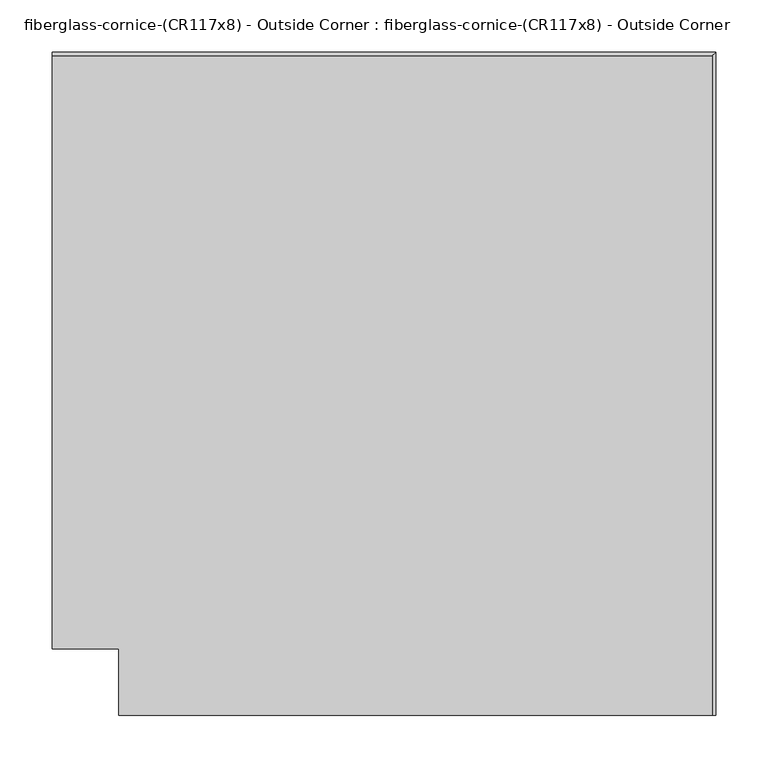
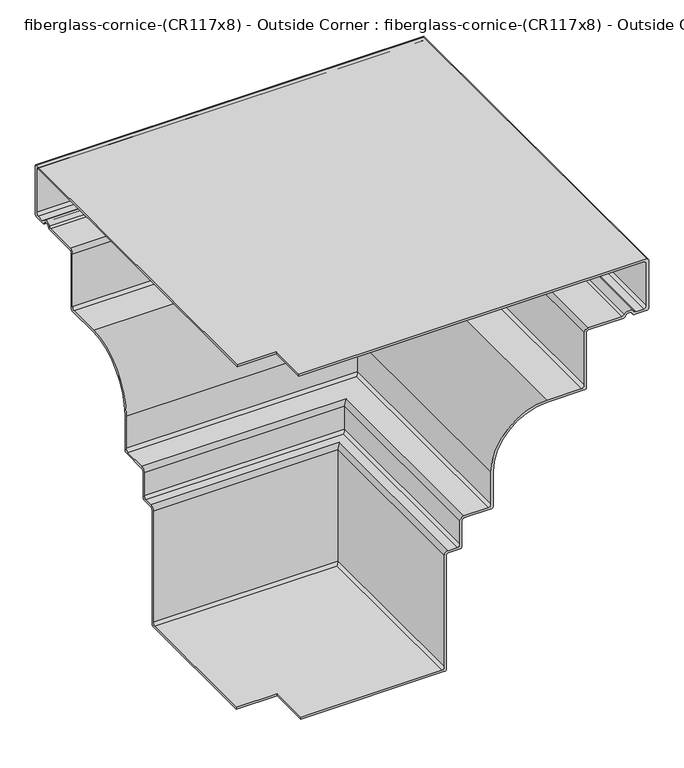
"""IFC4 building model written with IfcOpenShell, lengths in millimetres: furniture geometry, fiberglass-cornice-(CR117x8) - Outside Corner : fiberglass-cornice-(CR117x8) - Outside Corner."""

from ifc_helpers import new_model, si_unit, frame, origin, place, context, project, spatial, polyline, circle_curve, ellipse_curve, source, transform, mapped, element, save
from ifc_brep_helpers import plane_surface, cylinder_surface, revolved_surface, advanced_brep


def fiberglass_cornice_cr117x8_outside_corner_fiberglass_cornice_4fb6040e(model_context):
    return source(origin(), model_context, "Body", "AdvancedBrep", [
        advanced_brep(
        [(-196.9488213, 669.9250725, 330.1999904), (-196.9488213, 673.1000629, 327.025), (-196.9488213, 673.1000629, 244.4749959), (-196.9488213, 669.9250725, 241.3000055), (-196.9488213, 650.3303734, 241.3000055), (-196.9488213, 647.3369391, 243.4166784), (-196.9488213, 635.3632764, 243.4166872), (-196.9488213, 632.369825, 241.3000055), (-196.9488213, 574.6751514, 241.3000055), (-196.9488213, 571.5001312, 238.1249852), (-196.9488213, 571.5001312, 142.8749971), (-196.9488213, 568.3251334, 139.6999992), (-196.9488213, 508.0001413, 139.6999992), (-196.9488213, 419.1001144, 50.8008042), (-196.9488213, 419.1001144, -9.525001), (-196.9488213, 415.9251129, -12.7000026), (-196.9488213, 371.4750496, -12.7000026), (-196.9488213, 368.3001486, -15.8749036), (-196.9488213, 368.3001486, -60.3249781), (-196.9488213, 365.1251284, -63.4999983), (-196.9488213, 346.0751263, -63.4999983), (-196.9488213, 342.900106, -66.6750185), (-196.9488213, 342.900106, -263.5250054), (-196.9488213, 339.7251156, -266.6999958), (-196.9488213, 104.7750202, -266.6999958), (-196.9488213, 104.7750202, -263.2074915), (-196.9488213, 334.9626449, -263.2074915), (-196.9488213, 339.4076315, -258.7625049), (-196.9488213, 339.4076315, -66.6749962), (-196.9488213, 346.0751263, -60.0075014), (-196.9488213, 360.3625533, -60.0075014), (-196.9488213, 364.8075548, -55.5624999), (-196.9488213, 364.8075548, -15.8749968), (-196.9488213, 371.4750496, -9.207502), (-196.9488213, 411.1626384, -9.207502), (-196.9488213, 415.6076399, -4.7625005), (-196.9488213, 415.6076399, 50.8210771), (-196.9488213, 507.982101, 143.1924962), (-196.9488213, 563.5626552, 143.1924962), (-196.9488213, 568.0076567, 147.6374976), (-196.9488213, 568.0076567, 238.1250001), (-196.9488213, 574.6751514, 244.7924949), (-196.9488213, 629.4702974, 244.7924949), (-196.9488213, 633.166285, 246.7680769), (-196.9488213, 649.5339424, 246.7680544), (-196.9488213, 653.2298758, 244.7924949), (-196.9488213, 665.1625869, 244.7924949), (-196.9488213, 669.6075884, 249.2374964), (-196.9488213, 669.6075884, 322.2624995), (-196.9488213, 665.1626018, 326.7074861), (-196.9488213, 101.6, 326.7074861), (-196.9488213, 101.6, 330.1999904), (434.9754699, 38.0007813, 330.1999904), (-133.3496026, 38.0007813, 330.1999904), (-133.3496026, 38.0007813, 326.7074861), (430.2129992, 38.0007813, 326.7074861), (434.6579858, 38.0007813, 322.2624995), (434.6579858, 38.0007813, 249.2374964), (430.2129843, 38.0007813, 244.7924949), (418.2802732, 38.0007813, 244.7924949), (414.5843398, 38.0007813, 246.7680544), (398.2166824, 38.0007813, 246.7680769), (394.5206948, 38.0007813, 244.7924949), (339.7255488, 38.0007813, 244.7924949), (333.0580541, 38.0007813, 238.1250001), (333.0580541, 38.0007813, 147.6374976), (328.6130526, 38.0007813, 143.1924962), (273.0324984, 38.0007813, 143.1924962), (180.6580373, 38.0007813, 50.8210771), (180.6580373, 38.0007813, -4.7625005), (176.2130358, 38.0007813, -9.207502), (136.525447, 38.0007813, -9.207502), (129.8579522, 38.0007813, -15.8749968), (129.8579522, 38.0007813, -55.5624999), (125.4129507, 38.0007813, -60.0075014), (111.1255237, 38.0007813, -60.0075014), (104.4580289, 38.0007813, -66.6749962), (104.4580289, 38.0007813, -258.7625049), (100.0130423, 38.0007813, -263.2074915), (-130.1745824, 38.0007813, -263.2074915), (-130.1745824, 38.0007813, -266.6999958), (104.775513, 38.0007813, -266.6999958), (107.9505035, 38.0007813, -263.5250054), (107.9505035, 38.0007813, -66.6750185), (111.1255237, 38.0007813, -63.4999983), (130.1755258, 38.0007813, -63.4999983), (133.350546, 38.0007813, -60.3249781), (133.350546, 38.0007813, -15.8749036), (136.525447, 38.0007813, -12.7000026), (180.9755103, 38.0007813, -12.7000026), (184.1505118, 38.0007813, -9.525001), (184.1505118, 38.0007813, 50.8008042), (273.0505387, 38.0007813, 139.6999992), (333.3755308, 38.0007813, 139.6999992), (336.5505286, 38.0007813, 142.8749971), (336.5505286, 38.0007813, 238.1249852), (339.7255488, 38.0007813, 241.3000055), (397.4202224, 38.0007813, 241.3000055), (400.4136738, 38.0007813, 243.4166872), (412.3873365, 38.0007813, 243.4166784), (415.3807708, 38.0007813, 241.3000055), (434.9754699, 38.0007813, 241.3000055), (438.1504603, 38.0007813, 244.4749959), (438.1504603, 38.0007813, 327.025), (434.9754699, 669.9250725, 330.1999904), (438.1504603, 673.1000629, 327.025), (438.1504603, 673.1000629, 244.4749959), (434.9754699, 669.9250725, 241.3000055), (415.3807708, 650.3303734, 241.3000055), (412.3873365, 647.3369391, 243.4166784), (400.4136738, 635.3632764, 243.4166872), (397.4202224, 632.369825, 241.3000055), (339.7255488, 574.6751514, 241.3000055), (336.5505286, 571.5001312, 238.1249852), (336.5505286, 571.5001312, 142.8749971), (333.3755308, 568.3251334, 139.6999992), (273.0505387, 508.0001413, 139.6999992), (184.1505118, 419.1001144, 50.8008042), (184.1505118, 419.1001144, -9.525001), (180.9755103, 415.9251129, -12.7000026), (136.525447, 371.4750496, -12.7000026), (133.350546, 368.3001486, -15.8749036), (133.350546, 368.3001486, -60.3249781), (130.1755258, 365.1251284, -63.4999983), (111.1255237, 346.0751263, -63.4999983), (107.9505035, 342.900106, -66.6750185), (107.9505035, 342.900106, -263.5250054), (104.775513, 339.7251156, -266.6999958), (-130.1745824, 104.7750202, -266.6999958), (-130.1745824, 104.7750202, -263.2074915), (100.0130423, 334.9626449, -263.2074915), (104.4580289, 339.4076315, -258.7625049), (104.4580289, 339.4076315, -66.6749962), (111.1255237, 346.0751263, -60.0075014), (125.4129507, 360.3625533, -60.0075014), (129.8579522, 364.8075548, -55.5624999), (129.8579522, 364.8075548, -15.8749968), (136.525447, 371.4750496, -9.207502), (176.2130358, 411.1626384, -9.207502), (180.6580373, 415.6076399, -4.7625005), (180.6580373, 415.6076399, 50.8210771), (273.0324984, 507.982101, 143.1924962), (328.6130526, 563.5626552, 143.1924962), (333.0580541, 568.0076567, 147.6374976), (333.0580541, 568.0076567, 238.1250001), (339.7255488, 574.6751514, 244.7924949), (394.5206948, 629.4702974, 244.7924949), (398.2166824, 633.166285, 246.7680769), (414.5843398, 649.5339424, 246.7680544), (418.2802732, 653.2298758, 244.7924949), (430.2129843, 665.1625869, 244.7924949), (434.6579858, 669.6075884, 249.2374964), (434.6579858, 669.6075884, 322.2624995), (430.2129992, 665.1626018, 326.7074861), (-133.3496026, 101.6, 326.7074861), (-133.3496026, 101.6, 330.1999904)],
        [
            (0, 1, circle_curve(frame((-196.9488213, 669.9250725, 327.025), z_axis=(-1.0, 0.0, 0.0), x_axis=(0.0, 1.0, 0.0)), 3.1749904)),
            (1, 2),
            (2, 3, circle_curve(frame((-196.9488213, 669.9250725, 244.4749959), z_axis=(-1.0, 0.0, 0.0), x_axis=(0.0, 1.0, 0.0)), 3.1749904)),
            (3, 4),
            (4, 5, circle_curve(frame((-196.9488213, 650.3303734, 244.4750244), z_axis=(-1.0, 0.0, 0.0), x_axis=(0.0, 1.0, 0.0)), 3.175019)),
            (5, 6, circle_curve(frame((-196.9488213, 641.3501062, 241.2999989), z_axis=(1.0, 0.0, 0.0), x_axis=(0.0, 1.0, 0.0)), 6.35)),
            (6, 7, circle_curve(frame((-196.9488213, 632.369825, 244.4750442), z_axis=(-1.0, 0.0, 0.0), x_axis=(0.0, 1.0, 0.0)), 3.1750388)),
            (7, 8),
            (8, 9, circle_curve(frame((-196.9488213, 574.6751514, 238.1249852), z_axis=(1.0, 0.0, 0.0), x_axis=(0.0, 1.0, 0.0)), 3.1750202)),
            (9, 10),
            (10, 11, circle_curve(frame((-196.9488213, 568.3251334, 142.8749971), z_axis=(-1.0, 0.0, 0.0), x_axis=(0.0, 1.0, 0.0)), 3.1749979)),
            (11, 12),
            (12, 13, circle_curve(frame((-196.9488213, 508.9210713, 49.8790338), z_axis=(1.0, 0.0, 0.0), x_axis=(0.0, 1.0, 0.0)), 89.8256865)),
            (13, 14),
            (14, 15, circle_curve(frame((-196.9488213, 415.9251129, -9.525001), z_axis=(-1.0, 0.0, 0.0), x_axis=(0.0, 1.0, 0.0)), 3.1750016)),
            (15, 16),
            (16, 17, circle_curve(frame((-196.9488213, 371.4750496, -15.8749036), z_axis=(1.0, 0.0, 0.0), x_axis=(0.0, 1.0, 0.0)), 3.174901)),
            (17, 18),
            (18, 19, circle_curve(frame((-196.9488213, 365.1251284, -60.3249781), z_axis=(-1.0, 0.0, 0.0), x_axis=(0.0, 1.0, 0.0)), 3.1750202)),
            (19, 20),
            (20, 21, circle_curve(frame((-196.9488213, 346.0751263, -66.6750185), z_axis=(1.0, 0.0, 0.0), x_axis=(0.0, 1.0, 0.0)), 3.1750202)),
            (21, 22),
            (22, 23, circle_curve(frame((-196.9488213, 339.7251156, -263.5250054), z_axis=(-1.0, 0.0, 0.0), x_axis=(0.0, 1.0, 0.0)), 3.1749904)),
            (23, 24),
            (24, 25),
            (25, 26),
            (26, 27, circle_curve(frame((-196.9488213, 334.9626449, -258.7625049), z_axis=(1.0, 0.0, 0.0), x_axis=(0.0, 1.0, 0.0)), 4.4449866)),
            (27, 28),
            (28, 29, circle_curve(frame((-196.9488213, 346.0751263, -66.6749962), z_axis=(-1.0, 0.0, 0.0), x_axis=(0.0, 1.0, 0.0)), 6.6674948)),
            (29, 30),
            (30, 31, circle_curve(frame((-196.9488213, 360.3625533, -55.5624999), z_axis=(1.0, 0.0, 0.0), x_axis=(0.0, 1.0, 0.0)), 4.4450015)),
            (31, 32),
            (32, 33, circle_curve(frame((-196.9488213, 371.4750496, -15.8749968), z_axis=(-1.0, 0.0, 0.0), x_axis=(0.0, 1.0, 0.0)), 6.6674948)),
            (33, 34),
            (34, 35, circle_curve(frame((-196.9488213, 411.1626384, -4.7625005), z_axis=(1.0, 0.0, 0.0), x_axis=(0.0, 1.0, 0.0)), 4.4450015)),
            (35, 36),
            (36, 37, circle_curve(frame((-196.9488213, 508.9210713, 49.8790338), z_axis=(-1.0, 0.0, 0.0), x_axis=(0.0, 1.0, 0.0)), 93.3181865)),
            (37, 38),
            (38, 39, circle_curve(frame((-196.9488213, 563.5626552, 147.6374976), z_axis=(1.0, 0.0, 0.0), x_axis=(0.0, 1.0, 0.0)), 4.4450015)),
            (39, 40),
            (40, 41, circle_curve(frame((-196.9488213, 574.6751514, 238.1250001), z_axis=(-1.0, 0.0, 0.0), x_axis=(0.0, 1.0, 0.0)), 6.6674948)),
            (41, 42),
            (42, 43, circle_curve(frame((-196.9488213, 629.4702974, 249.2375771), z_axis=(1.0, 0.0, 0.0), x_axis=(0.0, 1.0, 0.0)), 4.4450821)),
            (43, 44, circle_curve(frame((-196.9488213, 641.3501062, 241.2999989), z_axis=(-1.0, 0.0, 0.0), x_axis=(0.0, 1.0, 0.0)), 9.8425)),
            (44, 45, circle_curve(frame((-196.9488213, 653.2298758, 249.2375038), z_axis=(1.0, 0.0, 0.0), x_axis=(0.0, 1.0, 0.0)), 4.4450089)),
            (45, 46),
            (46, 47, circle_curve(frame((-196.9488213, 665.1625869, 249.2374964), z_axis=(1.0, 0.0, 0.0), x_axis=(0.0, 1.0, 0.0)), 4.4450015)),
            (47, 48),
            (48, 49, circle_curve(frame((-196.9488213, 665.1626018, 322.2624995), z_axis=(1.0, 0.0, 0.0), x_axis=(0.0, 1.0, 0.0)), 4.4449866)),
            (49, 50),
            (50, 51),
            (51, 0),
            (52, 53),
            (53, 54),
            (54, 55),
            (55, 56, circle_curve(frame((430.2129992, 38.0007813, 322.2624995), z_axis=(0.0, 1.0, 0.0), x_axis=(1.0, 0.0, 0.0)), 4.4449866)),
            (56, 57),
            (57, 58, circle_curve(frame((430.2129843, 38.0007813, 249.2374964), z_axis=(0.0, 1.0, 0.0), x_axis=(1.0, 0.0, 0.0)), 4.4450015)),
            (58, 59),
            (59, 60, circle_curve(frame((418.2802732, 38.0007813, 249.2375038), z_axis=(0.0, 1.0, 0.0), x_axis=(1.0, 0.0, 0.0)), 4.4450089)),
            (60, 61, circle_curve(frame((406.4005036, 38.0007813, 241.2999989), z_axis=(0.0, -1.0, 0.0), x_axis=(1.0, 0.0, 0.0)), 9.8425)),
            (61, 62, circle_curve(frame((394.5206948, 38.0007813, 249.2375771), z_axis=(0.0, 1.0, 0.0), x_axis=(1.0, 0.0, 0.0)), 4.4450821)),
            (62, 63),
            (63, 64, circle_curve(frame((339.7255488, 38.0007813, 238.1250001), z_axis=(0.0, -1.0, 0.0), x_axis=(1.0, 0.0, 0.0)), 6.6674948)),
            (64, 65),
            (65, 66, circle_curve(frame((328.6130526, 38.0007813, 147.6374976), z_axis=(0.0, 1.0, 0.0), x_axis=(1.0, 0.0, 0.0)), 4.4450015)),
            (66, 67),
            (67, 68, circle_curve(frame((273.9714687, 38.0007813, 49.8790338), z_axis=(0.0, -1.0, 0.0), x_axis=(1.0, 0.0, 0.0)), 93.3181865)),
            (68, 69),
            (69, 70, circle_curve(frame((176.2130358, 38.0007813, -4.7625005), z_axis=(0.0, 1.0, 0.0), x_axis=(1.0, 0.0, 0.0)), 4.4450015)),
            (70, 71),
            (71, 72, circle_curve(frame((136.525447, 38.0007813, -15.8749968), z_axis=(0.0, -1.0, 0.0), x_axis=(1.0, 0.0, 0.0)), 6.6674948)),
            (72, 73),
            (73, 74, circle_curve(frame((125.4129507, 38.0007813, -55.5624999), z_axis=(0.0, 1.0, 0.0), x_axis=(1.0, 0.0, 0.0)), 4.4450015)),
            (74, 75),
            (75, 76, circle_curve(frame((111.1255237, 38.0007813, -66.6749962), z_axis=(0.0, -1.0, 0.0), x_axis=(1.0, 0.0, 0.0)), 6.6674948)),
            (76, 77),
            (77, 78, circle_curve(frame((100.0130423, 38.0007813, -258.7625049), z_axis=(0.0, 1.0, 0.0), x_axis=(1.0, 0.0, 0.0)), 4.4449866)),
            (78, 79),
            (79, 80),
            (80, 81),
            (81, 82, circle_curve(frame((104.775513, 38.0007813, -263.5250054), z_axis=(0.0, -1.0, 0.0), x_axis=(1.0, 0.0, 0.0)), 3.1749904)),
            (82, 83),
            (83, 84, circle_curve(frame((111.1255237, 38.0007813, -66.6750185), z_axis=(0.0, 1.0, 0.0), x_axis=(1.0, 0.0, 0.0)), 3.1750202)),
            (84, 85),
            (85, 86, circle_curve(frame((130.1755258, 38.0007813, -60.3249781), z_axis=(0.0, -1.0, 0.0), x_axis=(1.0, 0.0, 0.0)), 3.1750202)),
            (86, 87),
            (87, 88, circle_curve(frame((136.525447, 38.0007813, -15.8749036), z_axis=(0.0, 1.0, 0.0), x_axis=(1.0, 0.0, 0.0)), 3.174901)),
            (88, 89),
            (89, 90, circle_curve(frame((180.9755103, 38.0007813, -9.525001), z_axis=(0.0, -1.0, 0.0), x_axis=(1.0, 0.0, 0.0)), 3.1750016)),
            (90, 91),
            (91, 92, circle_curve(frame((273.9714687, 38.0007813, 49.8790338), z_axis=(0.0, 1.0, 0.0), x_axis=(1.0, 0.0, 0.0)), 89.8256865)),
            (92, 93),
            (93, 94, circle_curve(frame((333.3755308, 38.0007813, 142.8749971), z_axis=(0.0, -1.0, 0.0), x_axis=(1.0, 0.0, 0.0)), 3.1749979)),
            (94, 95),
            (95, 96, circle_curve(frame((339.7255488, 38.0007813, 238.1249852), z_axis=(0.0, 1.0, 0.0), x_axis=(1.0, 0.0, 0.0)), 3.1750202)),
            (96, 97),
            (97, 98, circle_curve(frame((397.4202224, 38.0007813, 244.4750442), z_axis=(0.0, -1.0, 0.0), x_axis=(1.0, 0.0, 0.0)), 3.1750388)),
            (98, 99, circle_curve(frame((406.4005036, 38.0007813, 241.2999989), z_axis=(0.0, 1.0, 0.0), x_axis=(1.0, 0.0, 0.0)), 6.35)),
            (99, 100, circle_curve(frame((415.3807708, 38.0007813, 244.4750244), z_axis=(0.0, -1.0, 0.0), x_axis=(1.0, 0.0, 0.0)), 3.175019)),
            (100, 101),
            (101, 102, circle_curve(frame((434.9754699, 38.0007813, 244.4749959), z_axis=(0.0, -1.0, 0.0), x_axis=(1.0, 0.0, 0.0)), 3.1749904)),
            (102, 103),
            (103, 52, circle_curve(frame((434.9754699, 38.0007813, 327.025), z_axis=(0.0, -1.0, 0.0), x_axis=(1.0, 0.0, 0.0)), 3.1749904)),
            (0, 104),
            (104, 105, ellipse_curve(frame((434.9754699, 669.9250725, 327.025), z_axis=(-0.7071067811865563, 0.7071067811865387, 0.0), x_axis=(-0.7071067811865387, -0.7071067811865565, 0.0)), 4.4901145, 3.1749904)),
            (105, 1),
            (105, 106),
            (106, 2),
            (106, 107, ellipse_curve(frame((434.9754699, 669.9250725, 244.4749959), z_axis=(-0.7071067811865563, 0.7071067811865387, 0.0), x_axis=(-0.7071067811865387, -0.7071067811865565, 0.0)), 4.4901145, 3.1749904)),
            (107, 3),
            (107, 101),
            (100, 108),
            (108, 4),
            (108, 109, ellipse_curve(frame((415.3807708, 650.3303734, 244.4750244), z_axis=(-0.7071067811865563, 0.7071067811865387, 0.0), x_axis=(-0.7071067811865387, -0.7071067811865565, 0.0)), 4.4901549, 3.175019)),
            (109, 5),
            (109, 110, ellipse_curve(frame((406.4005036, 641.3501062, 241.2999989), z_axis=(0.7071067811865563, -0.7071067811865387, 0.0), x_axis=(0.7071067811865387, 0.7071067811865565, 0.0)), 8.9802561, 6.35)),
            (110, 6),
            (110, 111, ellipse_curve(frame((397.4202224, 632.369825, 244.4750442), z_axis=(-0.7071067811865563, 0.7071067811865387, 0.0), x_axis=(-0.7071067811865387, -0.7071067811865565, 0.0)), 4.4901829, 3.1750388)),
            (111, 7),
            (111, 97),
            (96, 112),
            (112, 8),
            (112, 113, ellipse_curve(frame((339.7255488, 574.6751514, 238.1249852), z_axis=(0.7071067811865563, -0.7071067811865387, 0.0), x_axis=(0.7071067811865387, 0.7071067811865565, 0.0)), 4.4901567, 3.1750202)),
            (113, 9),
            (113, 114),
            (114, 10),
            (114, 115, ellipse_curve(frame((333.3755308, 568.3251334, 142.8749971), z_axis=(-0.7071067811865563, 0.7071067811865387, 0.0), x_axis=(-0.7071067811865387, -0.7071067811865565, 0.0)), 4.490125, 3.1749979)),
            (115, 11),
            (115, 93),
            (92, 116),
            (116, 12),
            (116, 117, ellipse_curve(frame((273.9714687, 508.9210713, 49.8790338), z_axis=(0.7071067811865563, -0.7071067811865387, 0.0), x_axis=(0.7071067811865387, 0.7071067811865565, 0.0)), 127.032704, 89.8256865)),
            (117, 13),
            (117, 118),
            (118, 14),
            (118, 119, ellipse_curve(frame((180.9755103, 415.9251129, -9.525001), z_axis=(-0.7071067811865563, 0.7071067811865387, 0.0), x_axis=(-0.7071067811865387, -0.7071067811865565, 0.0)), 4.4901303, 3.1750016)),
            (119, 15),
            (119, 89),
            (88, 120),
            (120, 16),
            (120, 121, ellipse_curve(frame((136.525447, 371.4750496, -15.8749036), z_axis=(0.7071067811865563, -0.7071067811865387, 0.0), x_axis=(0.7071067811865387, 0.7071067811865565, 0.0)), 4.4899881, 3.174901)),
            (121, 17),
            (121, 122),
            (122, 18),
            (122, 123, ellipse_curve(frame((130.1755258, 365.1251284, -60.3249781), z_axis=(-0.7071067811865563, 0.7071067811865387, 0.0), x_axis=(-0.7071067811865387, -0.7071067811865565, 0.0)), 4.4901567, 3.1750202)),
            (123, 19),
            (123, 85),
            (84, 124),
            (124, 20),
            (124, 125, ellipse_curve(frame((111.1255237, 346.0751263, -66.6750185), z_axis=(0.7071067811865563, -0.7071067811865387, 0.0), x_axis=(0.7071067811865387, 0.7071067811865565, 0.0)), 4.4901567, 3.1750202)),
            (125, 21),
            (125, 126),
            (126, 22),
            (126, 127, ellipse_curve(frame((104.775513, 339.7251156, -263.5250054), z_axis=(-0.7071067811865563, 0.7071067811865387, 0.0), x_axis=(-0.7071067811865387, -0.7071067811865565, 0.0)), 4.4901145, 3.1749904)),
            (127, 23),
            (127, 81),
            (80, 128),
            (128, 24),
            (128, 129),
            (129, 25),
            (129, 79),
            (78, 130),
            (130, 26),
            (130, 131, ellipse_curve(frame((100.0130423, 334.9626449, -258.7625049), z_axis=(0.7071067811865563, -0.7071067811865387, 0.0), x_axis=(0.7071067811865387, 0.7071067811865565, 0.0)), 6.2861603, 4.4449866)),
            (131, 27),
            (131, 132),
            (132, 28),
            (132, 133, ellipse_curve(frame((111.1255237, 346.0751263, -66.6749962), z_axis=(-0.7071067811865563, 0.7071067811865387, 0.0), x_axis=(-0.7071067811865387, -0.7071067811865565, 0.0)), 9.4292615, 6.6674948)),
            (133, 29),
            (133, 75),
            (74, 134),
            (134, 30),
            (134, 135, ellipse_curve(frame((125.4129507, 360.3625533, -55.5624999), z_axis=(0.7071067811865563, -0.7071067811865387, 0.0), x_axis=(0.7071067811865387, 0.7071067811865565, 0.0)), 6.2861814, 4.4450015)),
            (135, 31),
            (135, 136),
            (136, 32),
            (136, 137, ellipse_curve(frame((136.525447, 371.4750496, -15.8749968), z_axis=(-0.7071067811865563, 0.7071067811865387, 0.0), x_axis=(-0.7071067811865387, -0.7071067811865565, 0.0)), 9.4292615, 6.6674948)),
            (137, 33),
            (137, 71),
            (70, 138),
            (138, 34),
            (138, 139, ellipse_curve(frame((176.2130358, 411.1626384, -4.7625005), z_axis=(0.7071067811865563, -0.7071067811865387, 0.0), x_axis=(0.7071067811865387, 0.7071067811865565, 0.0)), 6.2861814, 4.4450015)),
            (139, 35),
            (139, 140),
            (140, 36),
            (140, 141, ellipse_curve(frame((273.9714687, 508.9210713, 49.8790338), z_axis=(-0.7071067811865563, 0.7071067811865387, 0.0), x_axis=(-0.7071067811865387, -0.7071067811865565, 0.0)), 131.9718449, 93.3181865)),
            (141, 37),
            (141, 67),
            (66, 142),
            (142, 38),
            (142, 143, ellipse_curve(frame((328.6130526, 563.5626552, 147.6374976), z_axis=(0.7071067811865563, -0.7071067811865387, 0.0), x_axis=(0.7071067811865387, 0.7071067811865565, 0.0)), 6.2861814, 4.4450015)),
            (143, 39),
            (143, 144),
            (144, 40),
            (144, 145, ellipse_curve(frame((339.7255488, 574.6751514, 238.1250001), z_axis=(-0.7071067811865563, 0.7071067811865387, 0.0), x_axis=(-0.7071067811865387, -0.7071067811865565, 0.0)), 9.4292615, 6.6674948)),
            (145, 41),
            (145, 63),
            (62, 146),
            (146, 42),
            (146, 147, ellipse_curve(frame((394.5206948, 629.4702974, 249.2375771), z_axis=(0.7071067811865563, -0.7071067811865387, 0.0), x_axis=(0.7071067811865387, 0.7071067811865565, 0.0)), 6.2862954, 4.4450821)),
            (147, 43),
            (147, 148, ellipse_curve(frame((406.4005036, 641.3501062, 241.2999989), z_axis=(-0.7071067811865563, 0.7071067811865387, 0.0), x_axis=(-0.7071067811865387, -0.7071067811865565, 0.0)), 13.919397, 9.8425)),
            (148, 44),
            (148, 149, ellipse_curve(frame((418.2802732, 653.2298758, 249.2375038), z_axis=(0.7071067811865563, -0.7071067811865387, 0.0), x_axis=(0.7071067811865387, 0.7071067811865565, 0.0)), 6.2861919, 4.4450089)),
            (149, 45),
            (149, 59),
            (58, 150),
            (150, 46),
            (150, 151, ellipse_curve(frame((430.2129843, 665.1625869, 249.2374964), z_axis=(0.7071067811865563, -0.7071067811865387, 0.0), x_axis=(0.7071067811865387, 0.7071067811865565, 0.0)), 6.2861814, 4.4450015)),
            (151, 47),
            (151, 152),
            (152, 48),
            (152, 153, ellipse_curve(frame((430.2129992, 665.1626018, 322.2624995), z_axis=(0.7071067811865563, -0.7071067811865387, 0.0), x_axis=(0.7071067811865387, 0.7071067811865565, 0.0)), 6.2861603, 4.4449866)),
            (153, 49),
            (153, 55),
            (54, 154),
            (154, 50),
            (154, 155),
            (155, 51),
            (155, 53),
            (52, 104),
            (103, 105),
            (102, 106),
            (99, 109),
            (98, 110),
            (95, 113),
            (94, 114),
            (91, 117),
            (90, 118),
            (87, 121),
            (86, 122),
            (83, 125),
            (82, 126),
            (77, 131),
            (76, 132),
            (73, 135),
            (72, 136),
            (69, 139),
            (68, 140),
            (65, 143),
            (64, 144),
            (61, 147),
            (60, 148),
            (57, 151),
            (56, 152),
        ],
        [
            plane_surface(frame((-196.9488213, 101.6, 330.1999904), z_axis=(-1.0, 0.0, 0.0), x_axis=(0.0, 0.0, 1.0))),
            plane_surface(frame((-133.3496026, 38.0007813, 330.1999904), z_axis=(0.0, -1.0, 0.0), x_axis=(0.0, 0.0, 1.0))),
            cylinder_surface(frame((-196.9488213, 669.9250725, 327.025), z_axis=(-1.0, 0.0, 0.0), x_axis=(0.0, 1.0, 0.0)), 3.1749904),
            plane_surface(frame((-196.9488213, 673.1000629, 327.025), z_axis=(0.0, 1.0, 0.0), x_axis=(1.0, 0.0, 0.0))),
            cylinder_surface(frame((-196.9488213, 669.9250725, 244.4749959), z_axis=(-1.0, 0.0, 0.0), x_axis=(0.0, 1.0, 0.0)), 3.1749904),
            plane_surface(frame((-196.9488213, 669.9250725, 241.3000055), z_axis=(0.0, 0.0, -1.0), x_axis=(1.0, 0.0, 0.0))),
            cylinder_surface(frame((-196.9488213, 650.3303734, 244.4750244), z_axis=(-1.0, 0.0, 0.0), x_axis=(0.0, 1.0, 0.0)), 3.175019),
            revolved_surface(polyline([(412.7505035851018, 647.7001062, 241.2999989), (-196.9488213, 647.7001062, 241.2999989)]), (-196.9488213, 641.3501062, 241.2999989), (1.0, 0.0, 0.0)),
            cylinder_surface(frame((-196.9488213, 632.369825, 244.4750442), z_axis=(-1.0, 0.0, 0.0), x_axis=(0.0, 1.0, 0.0)), 3.1750388),
            plane_surface(frame((-196.9488213, 632.369825, 241.3000055), z_axis=(0.0, 0.0, -1.0), x_axis=(1.0, 0.0, 0.0))),
            revolved_surface(polyline([(342.90056905116023, 577.8501716, 238.1249852), (-196.9488213, 577.8501716, 238.1249852)]), (-196.9488213, 574.6751514, 238.1249852), (1.0, 0.0, 0.0)),
            plane_surface(frame((-196.9488213, 571.5001312, 238.1249852), z_axis=(0.0, 1.0, 0.0), x_axis=(1.0, 0.0, 0.0))),
            cylinder_surface(frame((-196.9488213, 568.3251334, 142.8749971), z_axis=(-1.0, 0.0, 0.0), x_axis=(0.0, 1.0, 0.0)), 3.1749979),
            plane_surface(frame((-196.9488213, 568.3251334, 139.6999992), z_axis=(0.0, 0.0, -1.0), x_axis=(1.0, 0.0, 0.0))),
            revolved_surface(polyline([(363.7971551308624, 598.7467578, 49.8790338), (-196.9488213, 598.7467578, 49.8790338)]), (-196.9488213, 508.9210713, 49.8790338), (1.0, 0.0, 0.0)),
            plane_surface(frame((-196.9488213, 419.1001144, 50.8008042), z_axis=(0.0, 1.0, 0.0), x_axis=(1.0, 0.0, 0.0))),
            cylinder_surface(frame((-196.9488213, 415.9251129, -9.525001), z_axis=(-1.0, 0.0, 0.0), x_axis=(0.0, 1.0, 0.0)), 3.1750016),
            plane_surface(frame((-196.9488213, 415.9251129, -12.7000026), z_axis=(0.0, 0.0, -1.0), x_axis=(1.0, 0.0, 0.0))),
            revolved_surface(polyline([(139.7003480329569, 374.64995059999995, -15.8749036), (-196.9488213, 374.64995059999995, -15.8749036)]), (-196.9488213, 371.4750496, -15.8749036), (1.0, 0.0, 0.0)),
            plane_surface(frame((-196.9488213, 368.3001486, -15.8749036), z_axis=(0.0, 1.0, 0.0), x_axis=(1.0, 0.0, 0.0))),
            cylinder_surface(frame((-196.9488213, 365.1251284, -60.3249781), z_axis=(-1.0, 0.0, 0.0), x_axis=(0.0, 1.0, 0.0)), 3.1750202),
            plane_surface(frame((-196.9488213, 365.1251284, -63.4999983), z_axis=(0.0, 0.0, -1.0), x_axis=(1.0, 0.0, 0.0))),
            revolved_surface(polyline([(114.30054395116017, 349.2501465, -66.6750185), (-196.9488213, 349.2501465, -66.6750185)]), (-196.9488213, 346.0751263, -66.6750185), (1.0, 0.0, 0.0)),
            plane_surface(frame((-196.9488213, 342.900106, -66.6750185), z_axis=(0.0, 1.0, 0.0), x_axis=(1.0, 0.0, 0.0))),
            cylinder_surface(frame((-196.9488213, 339.7251156, -263.5250054), z_axis=(-1.0, 0.0, 0.0), x_axis=(0.0, 1.0, 0.0)), 3.1749904),
            plane_surface(frame((-196.9488213, 339.7251156, -266.6999958), z_axis=(0.0, 0.0, -1.0), x_axis=(1.0, 0.0, 0.0))),
            plane_surface(frame((-196.9488213, 104.7750202, -266.6999958), z_axis=(0.0, -1.0, 0.0), x_axis=(1.0, 0.0, 0.0))),
            plane_surface(frame((-196.9488213, 104.7750202, -263.2074915), z_axis=(0.0, 0.0, 1.0), x_axis=(1.0, 0.0, 0.0))),
            revolved_surface(polyline([(104.45802890000002, 339.4076315, -258.7625049), (-196.9488213, 339.4076315, -258.7625049)]), (-196.9488213, 334.9626449, -258.7625049), (1.0, 0.0, 0.0)),
            plane_surface(frame((-196.9488213, 339.4076315, -258.7625049), z_axis=(0.0, -1.0, 0.0), x_axis=(1.0, 0.0, 0.0))),
            cylinder_surface(frame((-196.9488213, 346.0751263, -66.6749962), z_axis=(-1.0, 0.0, 0.0), x_axis=(0.0, 1.0, 0.0)), 6.6674948),
            plane_surface(frame((-196.9488213, 346.0751263, -60.0075014), z_axis=(0.0, 0.0, 1.0), x_axis=(1.0, 0.0, 0.0))),
            revolved_surface(polyline([(129.85795219999997, 364.8075548, -55.5624999), (-196.9488213, 364.8075548, -55.5624999)]), (-196.9488213, 360.3625533, -55.5624999), (1.0, 0.0, 0.0)),
            plane_surface(frame((-196.9488213, 364.8075548, -55.5624999), z_axis=(0.0, -1.0, 0.0), x_axis=(1.0, 0.0, 0.0))),
            cylinder_surface(frame((-196.9488213, 371.4750496, -15.8749968), z_axis=(-1.0, 0.0, 0.0), x_axis=(0.0, 1.0, 0.0)), 6.6674948),
            plane_surface(frame((-196.9488213, 371.4750496, -9.207502), z_axis=(0.0, 0.0, 1.0), x_axis=(1.0, 0.0, 0.0))),
            revolved_surface(polyline([(180.65803730000002, 415.6076399, -4.7625005), (-196.9488213, 415.6076399, -4.7625005)]), (-196.9488213, 411.1626384, -4.7625005), (1.0, 0.0, 0.0)),
            plane_surface(frame((-196.9488213, 415.6076399, -4.7625005), z_axis=(0.0, -1.0, 0.0), x_axis=(1.0, 0.0, 0.0))),
            cylinder_surface(frame((-196.9488213, 508.9210713, 49.8790338), z_axis=(-1.0, 0.0, 0.0), x_axis=(0.0, 1.0, 0.0)), 93.3181865),
            plane_surface(frame((-196.9488213, 507.982101, 143.1924962), z_axis=(0.0, 0.0, 1.0), x_axis=(1.0, 0.0, 0.0))),
            revolved_surface(polyline([(333.05805410000005, 568.0076567, 147.6374976), (-196.9488213, 568.0076567, 147.6374976)]), (-196.9488213, 563.5626552, 147.6374976), (1.0, 0.0, 0.0)),
            plane_surface(frame((-196.9488213, 568.0076567, 147.6374976), z_axis=(0.0, -1.0, 0.0), x_axis=(1.0, 0.0, 0.0))),
            cylinder_surface(frame((-196.9488213, 574.6751514, 238.1250001), z_axis=(-1.0, 0.0, 0.0), x_axis=(0.0, 1.0, 0.0)), 6.6674948),
            plane_surface(frame((-196.9488213, 574.6751514, 244.7924949), z_axis=(0.0, 0.0, 1.0), x_axis=(1.0, 0.0, 0.0))),
            revolved_surface(polyline([(398.96577690588174, 633.9153795000001, 249.2375771), (-196.9488213, 633.9153795000001, 249.2375771)]), (-196.9488213, 629.4702974, 249.2375771), (1.0, 0.0, 0.0)),
            cylinder_surface(frame((-196.9488213, 641.3501062, 241.2999989), z_axis=(-1.0, 0.0, 0.0), x_axis=(0.0, 1.0, 0.0)), 9.8425),
            revolved_surface(polyline([(422.7252821203299, 657.6748846999999, 249.2375038), (-196.9488213, 657.6748846999999, 249.2375038)]), (-196.9488213, 653.2298758, 249.2375038), (1.0, 0.0, 0.0)),
            plane_surface(frame((-196.9488213, 653.2298758, 244.7924949), z_axis=(0.0, 0.0, 1.0), x_axis=(1.0, 0.0, 0.0))),
            revolved_surface(polyline([(434.6579858, 669.6075883999999, 249.2374964), (-196.9488213, 669.6075883999999, 249.2374964)]), (-196.9488213, 665.1625869, 249.2374964), (1.0, 0.0, 0.0)),
            plane_surface(frame((-196.9488213, 669.6075884, 249.2374964), z_axis=(0.0, -1.0, 0.0), x_axis=(1.0, 0.0, 0.0))),
            revolved_surface(polyline([(434.6579858, 669.6075883999999, 322.2624995), (-196.9488213, 669.6075883999999, 322.2624995)]), (-196.9488213, 665.1626018, 322.2624995), (1.0, 0.0, 0.0)),
            plane_surface(frame((-196.9488213, 665.1626018, 326.7074861), z_axis=(0.0, 0.0, -1.0), x_axis=(1.0, 0.0, 0.0))),
            plane_surface(frame((-196.9488213, 101.6, 326.7074861), z_axis=(0.0, -1.0, 0.0), x_axis=(1.0, 0.0, 0.0))),
            plane_surface(frame((-196.9488213, 101.6, 330.1999904), z_axis=(0.0, 0.0, 1.0), x_axis=(1.0, 0.0, 0.0))),
            cylinder_surface(frame((434.9754699, 101.6, 327.025), z_axis=(0.0, 1.0, 0.0), x_axis=(1.0, 0.0, 0.0)), 3.1749904),
            plane_surface(frame((438.1504603, 673.1000629, 327.025), z_axis=(1.0, 0.0, 0.0), x_axis=(0.0, -1.0, 0.0))),
            cylinder_surface(frame((434.9754699, 101.6, 244.4749959), z_axis=(0.0, 1.0, 0.0), x_axis=(1.0, 0.0, 0.0)), 3.1749904),
            cylinder_surface(frame((415.3807708, 101.6, 244.4750244), z_axis=(0.0, 1.0, 0.0), x_axis=(1.0, 0.0, 0.0)), 3.175019),
            revolved_surface(polyline([(412.7505036, 38.0007813, 241.2999989), (412.7505036, 647.700106185102, 241.2999989)]), (406.4005036, 101.6, 241.2999989), (0.0, -1.0, 0.0)),
            cylinder_surface(frame((397.4202224, 101.6, 244.4750442), z_axis=(0.0, 1.0, 0.0), x_axis=(1.0, 0.0, 0.0)), 3.1750388),
            revolved_surface(polyline([(342.900569, 38.0007813, 238.1249852), (342.900569, 577.8501716511603, 238.1249852)]), (339.7255488, 101.6, 238.1249852), (0.0, -1.0, 0.0)),
            plane_surface(frame((336.5505286, 571.5001312, 238.1249852), z_axis=(1.0, 0.0, 0.0), x_axis=(0.0, -1.0, 0.0))),
            cylinder_surface(frame((333.3755308, 101.6, 142.8749971), z_axis=(0.0, 1.0, 0.0), x_axis=(1.0, 0.0, 0.0)), 3.1749979),
            revolved_surface(polyline([(363.7971552, 38.0007813, 49.8790338), (363.7971552, 598.7467577308646, 49.8790338)]), (273.9714687, 101.6, 49.8790338), (0.0, -1.0, 0.0)),
            plane_surface(frame((184.1505118, 419.1001144, 50.8008042), z_axis=(1.0, 0.0, 0.0), x_axis=(0.0, -1.0, 0.0))),
            cylinder_surface(frame((180.9755103, 101.6, -9.525001), z_axis=(0.0, 1.0, 0.0), x_axis=(1.0, 0.0, 0.0)), 3.1750016),
            revolved_surface(polyline([(139.70034800000002, 38.0007813, -15.8749036), (139.70034800000002, 374.6499506329569, -15.8749036)]), (136.525447, 101.6, -15.8749036), (0.0, -1.0, 0.0)),
            plane_surface(frame((133.350546, 368.3001486, -15.8749036), z_axis=(1.0, 0.0, 0.0), x_axis=(0.0, -1.0, 0.0))),
            cylinder_surface(frame((130.1755258, 101.6, -60.3249781), z_axis=(0.0, 1.0, 0.0), x_axis=(1.0, 0.0, 0.0)), 3.1750202),
            revolved_surface(polyline([(114.30054390000001, 38.0007813, -66.6750185), (114.30054390000001, 349.25014655116024, -66.6750185)]), (111.1255237, 101.6, -66.6750185), (0.0, -1.0, 0.0)),
            plane_surface(frame((107.9505035, 342.900106, -66.6750185), z_axis=(1.0, 0.0, 0.0), x_axis=(0.0, -1.0, 0.0))),
            cylinder_surface(frame((104.775513, 101.6, -263.5250054), z_axis=(0.0, 1.0, 0.0), x_axis=(1.0, 0.0, 0.0)), 3.1749904),
            plane_surface(frame((-130.1745824, 104.7750202, -266.6999958), z_axis=(-1.0, 0.0, 0.0), x_axis=(0.0, -1.0, 0.0))),
            revolved_surface(polyline([(104.45802889999999, 38.0007813, -258.7625049), (104.45802889999999, 339.4076315, -258.7625049)]), (100.0130423, 101.6, -258.7625049), (0.0, -1.0, 0.0)),
            plane_surface(frame((104.4580289, 339.4076315, -258.7625049), z_axis=(-1.0, 0.0, 0.0), x_axis=(0.0, -1.0, 0.0))),
            cylinder_surface(frame((111.1255237, 101.6, -66.6749962), z_axis=(0.0, 1.0, 0.0), x_axis=(1.0, 0.0, 0.0)), 6.6674948),
            revolved_surface(polyline([(129.8579522, 38.0007813, -55.5624999), (129.8579522, 364.80755480000005, -55.5624999)]), (125.4129507, 101.6, -55.5624999), (0.0, -1.0, 0.0)),
            plane_surface(frame((129.8579522, 364.8075548, -55.5624999), z_axis=(-1.0, 0.0, 0.0), x_axis=(0.0, -1.0, 0.0))),
            cylinder_surface(frame((136.525447, 101.6, -15.8749968), z_axis=(0.0, 1.0, 0.0), x_axis=(1.0, 0.0, 0.0)), 6.6674948),
            revolved_surface(polyline([(180.6580373, 38.0007813, -4.7625005), (180.6580373, 415.6076399, -4.7625005)]), (176.2130358, 101.6, -4.7625005), (0.0, -1.0, 0.0)),
            plane_surface(frame((180.6580373, 415.6076399, -4.7625005), z_axis=(-1.0, 0.0, 0.0), x_axis=(0.0, -1.0, 0.0))),
            cylinder_surface(frame((273.9714687, 101.6, 49.8790338), z_axis=(0.0, 1.0, 0.0), x_axis=(1.0, 0.0, 0.0)), 93.3181865),
            revolved_surface(polyline([(333.0580541, 38.0007813, 147.6374976), (333.0580541, 568.0076567, 147.6374976)]), (328.6130526, 101.6, 147.6374976), (0.0, -1.0, 0.0)),
            plane_surface(frame((333.0580541, 568.0076567, 147.6374976), z_axis=(-1.0, 0.0, 0.0), x_axis=(0.0, -1.0, 0.0))),
            cylinder_surface(frame((339.7255488, 101.6, 238.1250001), z_axis=(0.0, 1.0, 0.0), x_axis=(1.0, 0.0, 0.0)), 6.6674948),
            revolved_surface(polyline([(398.9657769, 38.0007813, 249.2375771), (398.9657769, 633.9153795058819, 249.2375771)]), (394.5206948, 101.6, 249.2375771), (0.0, -1.0, 0.0)),
            cylinder_surface(frame((406.4005036, 101.6, 241.2999989), z_axis=(0.0, 1.0, 0.0), x_axis=(1.0, 0.0, 0.0)), 9.8425),
            revolved_surface(polyline([(422.7252821, 38.0007813, 249.2375038), (422.7252821, 657.6748847203299, 249.2375038)]), (418.2802732, 101.6, 249.2375038), (0.0, -1.0, 0.0)),
            revolved_surface(polyline([(434.6579858, 38.0007813, 249.2374964), (434.6579858, 669.6075884, 249.2374964)]), (430.2129843, 101.6, 249.2374964), (0.0, -1.0, 0.0)),
            plane_surface(frame((434.6579858, 669.6075884, 249.2374964), z_axis=(-1.0, 0.0, 0.0), x_axis=(0.0, -1.0, 0.0))),
            revolved_surface(polyline([(434.6579858, 38.0007813, 322.2624995), (434.6579858, 669.6075884, 322.2624995)]), (430.2129992, 101.6, 322.2624995), (0.0, -1.0, 0.0)),
            plane_surface(frame((-133.3496026, 101.6, 326.7074861), z_axis=(-1.0, 0.0, 0.0), x_axis=(0.0, -1.0, 0.0))),
        ],
        [
            (0, [[1, 2, 3, 4, 5, 6, 7, 8, 9, 10, 11, 12, 13, 14, 15, 16, 17, 18, 19, 20, 21, 22, 23, 24, 25, 26, 27, 28, 29, 30, 31, 32, 33, 34, 35, 36, 37, 38, 39, 40, 41, 42, 43, 44, 45, 46, 47, 48, 49, 50, 51, 52]]),
            (1, [[53, 54, 55, 56, 57, 58, 59, 60, 61, 62, 63, 64, 65, 66, 67, 68, 69, 70, 71, 72, 73, 74, 75, 76, 77, 78, 79, 80, 81, 82, 83, 84, 85, 86, 87, 88, 89, 90, 91, 92, 93, 94, 95, 96, 97, 98, 99, 100, 101, 102, 103, 104]]),
            (2, [[-1, 105, 106, 107]]),
            (3, [[-2, -107, 108, 109]]),
            (4, [[-3, -109, 110, 111]]),
            (5, [[-4, -111, 112, -101, 113, 114]]),
            (6, [[-5, -114, 115, 116]]),
            (7, [[-6, -116, 117, 118]]),
            (8, [[-7, -118, 119, 120]]),
            (9, [[-8, -120, 121, -97, 122, 123]]),
            (10, [[-9, -123, 124, 125]]),
            (11, [[-10, -125, 126, 127]]),
            (12, [[-11, -127, 128, 129]]),
            (13, [[-12, -129, 130, -93, 131, 132]]),
            (14, [[-13, -132, 133, 134]]),
            (15, [[-14, -134, 135, 136]]),
            (16, [[-15, -136, 137, 138]]),
            (17, [[-16, -138, 139, -89, 140, 141]]),
            (18, [[-17, -141, 142, 143]]),
            (19, [[-18, -143, 144, 145]]),
            (20, [[-19, -145, 146, 147]]),
            (21, [[-20, -147, 148, -85, 149, 150]]),
            (22, [[-21, -150, 151, 152]]),
            (23, [[-22, -152, 153, 154]]),
            (24, [[-23, -154, 155, 156]]),
            (25, [[-24, -156, 157, -81, 158, 159]]),
            (26, [[-25, -159, 160, 161]]),
            (27, [[-26, -161, 162, -79, 163, 164]]),
            (28, [[-27, -164, 165, 166]]),
            (29, [[-28, -166, 167, 168]]),
            (30, [[-29, -168, 169, 170]]),
            (31, [[-30, -170, 171, -75, 172, 173]]),
            (32, [[-31, -173, 174, 175]]),
            (33, [[-32, -175, 176, 177]]),
            (34, [[-33, -177, 178, 179]]),
            (35, [[-34, -179, 180, -71, 181, 182]]),
            (36, [[-35, -182, 183, 184]]),
            (37, [[-36, -184, 185, 186]]),
            (38, [[-37, -186, 187, 188]]),
            (39, [[-38, -188, 189, -67, 190, 191]]),
            (40, [[-39, -191, 192, 193]]),
            (41, [[-40, -193, 194, 195]]),
            (42, [[-41, -195, 196, 197]]),
            (43, [[-42, -197, 198, -63, 199, 200]]),
            (44, [[-43, -200, 201, 202]]),
            (45, [[-44, -202, 203, 204]]),
            (46, [[-45, -204, 205, 206]]),
            (47, [[-46, -206, 207, -59, 208, 209]]),
            (48, [[-47, -209, 210, 211]]),
            (49, [[-48, -211, 212, 213]]),
            (50, [[-49, -213, 214, 215]]),
            (51, [[-50, -215, 216, -55, 217, 218]]),
            (52, [[-51, -218, 219, 220]]),
            (53, [[-52, -220, 221, -53, 222, -105]]),
            (54, [[-106, -222, -104, 223]]),
            (55, [[-108, -223, -103, 224]]),
            (56, [[-110, -224, -102, -112]]),
            (57, [[-115, -113, -100, 225]]),
            (58, [[-117, -225, -99, 226]]),
            (59, [[-119, -226, -98, -121]]),
            (60, [[-124, -122, -96, 227]]),
            (61, [[-126, -227, -95, 228]]),
            (62, [[-128, -228, -94, -130]]),
            (63, [[-133, -131, -92, 229]]),
            (64, [[-135, -229, -91, 230]]),
            (65, [[-137, -230, -90, -139]]),
            (66, [[-142, -140, -88, 231]]),
            (67, [[-144, -231, -87, 232]]),
            (68, [[-146, -232, -86, -148]]),
            (69, [[-151, -149, -84, 233]]),
            (70, [[-153, -233, -83, 234]]),
            (71, [[-155, -234, -82, -157]]),
            (72, [[-160, -158, -80, -162]]),
            (73, [[-165, -163, -78, 235]]),
            (74, [[-167, -235, -77, 236]]),
            (75, [[-169, -236, -76, -171]]),
            (76, [[-174, -172, -74, 237]]),
            (77, [[-176, -237, -73, 238]]),
            (78, [[-178, -238, -72, -180]]),
            (79, [[-183, -181, -70, 239]]),
            (80, [[-185, -239, -69, 240]]),
            (81, [[-187, -240, -68, -189]]),
            (82, [[-192, -190, -66, 241]]),
            (83, [[-194, -241, -65, 242]]),
            (84, [[-196, -242, -64, -198]]),
            (85, [[-201, -199, -62, 243]]),
            (86, [[-203, -243, -61, 244]]),
            (87, [[-205, -244, -60, -207]]),
            (88, [[-210, -208, -58, 245]]),
            (89, [[-212, -245, -57, 246]]),
            (90, [[-214, -246, -56, -216]]),
            (91, [[-219, -217, -54, -221]]),
        ],
    ),
    ])


if __name__ == "__main__":
    model = new_model("IFC4")
    model_context = context("Model", 3, world=origin())
    ifc_project = project(units=[si_unit("LENGTHUNIT", "METRE", prefix="MILLI")], contexts=[model_context])
    site = spatial("IfcSite", under=ifc_project)
    building = spatial("IfcBuilding", under=site)
    placement = place(None, origin())
    fiberglass_cornice_cr117x8_outside_corner_fiberglass_cornice_shape = fiberglass_cornice_cr117x8_outside_corner_fiberglass_cornice_4fb6040e(model_context)
    element("IfcFurniture", 1, ObjectType="fiberglass-cornice-(CR117x8) - Outside Corner : fiberglass-cornice-(CR117x8) - Outside Corner", at=placement, inside=building, context=model_context, shape_type="MappedRepresentation", body=[
        mapped(fiberglass_cornice_cr117x8_outside_corner_fiberglass_cornice_shape, transform((0.0, 0.0, 0.0), x_axis=(1.0, 0.0, 0.0), y_axis=(0.0, 1.0, 0.0), z_axis=(0.0, 0.0, 1.0))),
    ])
    save(model, "model.ifc")
